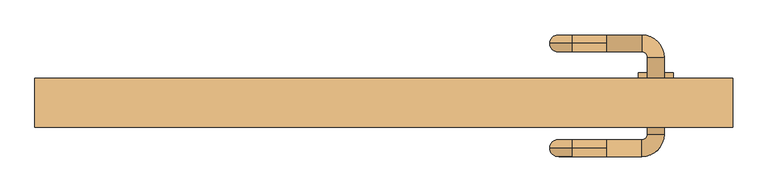
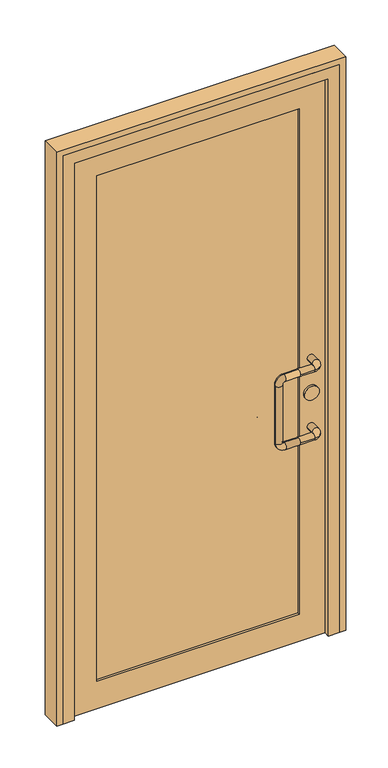
"""IFC4 building model written with IfcOpenShell, lengths in millimetres: door geometry."""

from ifc_helpers import new_model, si_unit, point, frame, frame_2d, origin, place, context, project, spatial, polyline, circle_curve, ellipse_curve, trimmed, segment, composite_curve, outline, extrude, faceted_brep, source, transform, mapped, element, save
from ifc_brep_helpers import cylinder_surface, revolved_surface, advanced_brep


def door_9363d48d(model_context):
    return source(origin(), model_context, "Body", "SolidModel", [
        advanced_brep(
        [(320.0, 112.0, 1025.0), (320.0, 100.0, 1037.0), (320.0, 88.0, 1025.0), (370.0, 88.0, 1025.0), (370.0, 112.0, 1025.0), (320.0, 100.0, 1013.0), (378.0, 80.0, 1025.0), (402.0, 80.0, 1025.0), (378.0, -30.0, 1025.0), (402.0, -30.0, 1025.0), (370.0, -38.0, 1025.0), (370.0, -62.0, 1025.0), (320.0, -38.0, 1025.0), (320.0, -50.0, 1037.0), (320.0, -62.0, 1025.0), (320.0, -50.0, 1013.0), (270.0, 100.0, 1037.0), (270.0, 100.0, 1013.0), (238.0, 100.0, 1005.0), (262.0, 100.0, 1005.0), (238.0, 100.0, 795.0), (262.0, 100.0, 795.0), (270.0, 100.0, 763.0), (270.0, 100.0, 787.0), (320.0, 100.0, 763.0), (320.0, 88.0, 775.0), (320.0, 100.0, 787.0), (320.0, 112.0, 775.0), (370.0, 88.0, 775.0), (370.0, 112.0, 775.0), (378.0, 80.0, 775.0), (402.0, 80.0, 775.0), (378.0, -30.0, 775.0), (402.0, -30.0, 775.0), (370.0, -38.0, 775.0), (370.0, -62.0, 775.0), (320.0, -38.0, 775.0), (320.0, -50.0, 787.0), (320.0, -62.0, 775.0), (320.0, -50.0, 763.0), (270.0, -50.0, 1037.0), (270.0, -50.0, 1013.0), (238.0, -50.0, 1005.0), (262.0, -50.0, 1005.0), (238.0, -50.0, 795.0), (262.0, -50.0, 795.0), (270.0, -50.0, 763.0), (270.0, -50.0, 787.0)],
        [
            (0, 1, circle_curve(frame((320.0, 100.0, 1025.0), z_axis=(1.0, 0.0, 0.0), x_axis=(0.0, -1.0, 0.0)), 12.0)),
            (1, 2, circle_curve(frame((320.0, 100.0, 1025.0), z_axis=(1.0, 0.0, 0.0), x_axis=(0.0, -1.0, 0.0)), 12.0)),
            (2, 3),
            (3, 4, circle_curve(frame((370.0, 100.0, 1025.0), z_axis=(-1.0, 0.0, 0.0), x_axis=(0.0, -1.0, 0.0)), 12.0)),
            (4, 0),
            (4, 3, circle_curve(frame((370.0, 100.0, 1025.0), z_axis=(-1.0, 0.0, 0.0), x_axis=(0.0, -1.0, 0.0)), 12.0)),
            (2, 5, circle_curve(frame((320.0, 100.0, 1025.0), z_axis=(1.0, 0.0, 0.0), x_axis=(0.0, -1.0, 0.0)), 12.0)),
            (5, 0, circle_curve(frame((320.0, 100.0, 1025.0), z_axis=(1.0, 0.0, 0.0), x_axis=(0.0, -1.0, 0.0)), 12.0)),
            (3, 6, circle_curve(frame((370.0, 80.0, 1025.0), z_axis=(0.0, 0.0, -1.0), x_axis=(0.0, 1.0, 0.0)), 8.0)),
            (6, 7, circle_curve(frame((390.0, 80.0, 1025.0), z_axis=(0.0, 1.0, 0.0), x_axis=(-1.0, 0.0, 0.0)), 12.0)),
            (7, 4, circle_curve(frame((370.0, 80.0, 1025.0), z_axis=(0.0, 0.0, 1.0), x_axis=(0.0, 1.0, 0.0)), 32.0)),
            (7, 6, circle_curve(frame((390.0, 80.0, 1025.0), z_axis=(0.0, 1.0, 0.0), x_axis=(-1.0, 0.0, 0.0)), 12.0)),
            (6, 8),
            (8, 9, circle_curve(frame((390.0, -30.0, 1025.0), z_axis=(0.0, 1.0, 0.0), x_axis=(-1.0, 0.0, 0.0)), 12.0)),
            (9, 7),
            (9, 8, circle_curve(frame((390.0, -30.0, 1025.0), z_axis=(0.0, 1.0, 0.0), x_axis=(-1.0, 0.0, 0.0)), 12.0)),
            (8, 10, circle_curve(frame((370.0, -30.0, 1025.0), z_axis=(0.0, 0.0, -1.0), x_axis=(1.0, 0.0, 0.0)), 8.0)),
            (10, 11, circle_curve(frame((370.0, -50.0, 1025.0), z_axis=(1.0, 0.0, 0.0), x_axis=(0.0, 1.0, 0.0)), 12.0)),
            (11, 9, circle_curve(frame((370.0, -30.0, 1025.0), z_axis=(0.0, 0.0, 1.0), x_axis=(1.0, 0.0, 0.0)), 32.0)),
            (11, 10, circle_curve(frame((370.0, -50.0, 1025.0), z_axis=(1.0, 0.0, 0.0), x_axis=(0.0, 1.0, 0.0)), 12.0)),
            (10, 12),
            (12, 13, circle_curve(frame((320.0, -50.0, 1025.0), z_axis=(1.0, 0.0, 0.0), x_axis=(0.0, 1.0, 0.0)), 12.0)),
            (13, 14, circle_curve(frame((320.0, -50.0, 1025.0), z_axis=(1.0, 0.0, 0.0), x_axis=(0.0, 1.0, 0.0)), 12.0)),
            (14, 11),
            (14, 15, circle_curve(frame((320.0, -50.0, 1025.0), z_axis=(1.0, 0.0, 0.0), x_axis=(0.0, 1.0, 0.0)), 12.0)),
            (15, 12, circle_curve(frame((320.0, -50.0, 1025.0), z_axis=(1.0, 0.0, 0.0), x_axis=(0.0, 1.0, 0.0)), 12.0)),
            (1, 16),
            (16, 17, circle_curve(frame((270.0, 100.0, 1025.0), z_axis=(1.0, 0.0, 0.0), x_axis=(0.0, 0.0, 1.0)), 12.0)),
            (17, 5),
            (17, 16, circle_curve(frame((270.0, 100.0, 1025.0), z_axis=(1.0, 0.0, 0.0), x_axis=(0.0, 0.0, 1.0)), 12.0)),
            (16, 18, circle_curve(frame((270.0, 100.0, 1005.0), z_axis=(0.0, -1.0, 0.0), x_axis=(0.0, 0.0, 1.0)), 32.0)),
            (18, 19, circle_curve(frame((250.0, 100.0, 1005.0), z_axis=(0.0, 0.0, 1.0), x_axis=(-1.0, 0.0, 0.0)), 12.0)),
            (19, 17, circle_curve(frame((270.0, 100.0, 1005.0), z_axis=(0.0, 1.0, 0.0), x_axis=(0.0, 0.0, 1.0)), 8.0)),
            (19, 18, circle_curve(frame((250.0, 100.0, 1005.0), z_axis=(0.0, 0.0, 1.0), x_axis=(-1.0, 0.0, 0.0)), 12.0)),
            (18, 20),
            (20, 21, circle_curve(frame((250.0, 100.0, 795.0), z_axis=(0.0, 0.0, 1.0), x_axis=(-1.0, 0.0, 0.0)), 12.0)),
            (21, 19),
            (21, 20, circle_curve(frame((250.0, 100.0, 795.0), z_axis=(0.0, 0.0, 1.0), x_axis=(-1.0, 0.0, 0.0)), 12.0)),
            (20, 22, circle_curve(frame((270.0, 100.0, 795.0), z_axis=(0.0, -1.0, 0.0), x_axis=(-1.0, 0.0, 0.0)), 32.0)),
            (22, 23, circle_curve(frame((270.0, 100.0, 775.0), z_axis=(-1.0, 0.0, 0.0), x_axis=(0.0, 0.0, -1.0)), 12.0)),
            (23, 21, circle_curve(frame((270.0, 100.0, 795.0), z_axis=(0.0, 1.0, 0.0), x_axis=(-1.0, 0.0, 0.0)), 8.0)),
            (23, 22, circle_curve(frame((270.0, 100.0, 775.0), z_axis=(-1.0, 0.0, 0.0), x_axis=(0.0, 0.0, -1.0)), 12.0)),
            (22, 24),
            (24, 25, circle_curve(frame((320.0, 100.0, 775.0), z_axis=(-1.0, 0.0, 0.0), x_axis=(0.0, 0.0, -1.0)), 12.0)),
            (25, 26, circle_curve(frame((320.0, 100.0, 775.0), z_axis=(-1.0, 0.0, 0.0), x_axis=(0.0, 0.0, -1.0)), 12.0)),
            (26, 23),
            (26, 27, circle_curve(frame((320.0, 100.0, 775.0), z_axis=(-1.0, 0.0, 0.0), x_axis=(0.0, 0.0, -1.0)), 12.0)),
            (27, 24, circle_curve(frame((320.0, 100.0, 775.0), z_axis=(-1.0, 0.0, 0.0), x_axis=(0.0, 0.0, -1.0)), 12.0)),
            (25, 28),
            (28, 29, circle_curve(frame((370.0, 100.0, 775.0), z_axis=(-1.0, 0.0, 0.0), x_axis=(0.0, -1.0, 0.0)), 12.0)),
            (29, 27),
            (29, 28, circle_curve(frame((370.0, 100.0, 775.0), z_axis=(-1.0, 0.0, 0.0), x_axis=(0.0, -1.0, 0.0)), 12.0)),
            (28, 30, circle_curve(frame((370.0, 80.0, 775.0), z_axis=(0.0, 0.0, -1.0), x_axis=(0.0, 1.0, 0.0)), 8.0)),
            (30, 31, circle_curve(frame((390.0, 80.0, 775.0), z_axis=(0.0, 1.0, 0.0), x_axis=(-1.0, 0.0, 0.0)), 12.0)),
            (31, 29, circle_curve(frame((370.0, 80.0, 775.0), z_axis=(0.0, 0.0, 1.0), x_axis=(0.0, 1.0, 0.0)), 32.0)),
            (31, 30, circle_curve(frame((390.0, 80.0, 775.0), z_axis=(0.0, 1.0, 0.0), x_axis=(-1.0, 0.0, 0.0)), 12.0)),
            (30, 32),
            (32, 33, circle_curve(frame((390.0, -30.0, 775.0), z_axis=(0.0, 1.0, 0.0), x_axis=(-1.0, 0.0, 0.0)), 12.0)),
            (33, 31),
            (33, 32, circle_curve(frame((390.0, -30.0, 775.0), z_axis=(0.0, 1.0, 0.0), x_axis=(-1.0, 0.0, 0.0)), 12.0)),
            (32, 34, circle_curve(frame((370.0, -30.0, 775.0), z_axis=(0.0, 0.0, -1.0), x_axis=(1.0, 0.0, 0.0)), 8.0)),
            (34, 35, circle_curve(frame((370.0, -50.0, 775.0), z_axis=(1.0, 0.0, 0.0), x_axis=(0.0, 1.0, 0.0)), 12.0)),
            (35, 33, circle_curve(frame((370.0, -30.0, 775.0), z_axis=(0.0, 0.0, 1.0), x_axis=(1.0, 0.0, 0.0)), 32.0)),
            (35, 34, circle_curve(frame((370.0, -50.0, 775.0), z_axis=(1.0, 0.0, 0.0), x_axis=(0.0, 1.0, 0.0)), 12.0)),
            (34, 36),
            (36, 37, circle_curve(frame((320.0, -50.0, 775.0), z_axis=(1.0, 0.0, 0.0), x_axis=(0.0, 1.0, 0.0)), 12.0)),
            (37, 38, circle_curve(frame((320.0, -50.0, 775.0), z_axis=(1.0, 0.0, 0.0), x_axis=(0.0, 1.0, 0.0)), 12.0)),
            (38, 35),
            (38, 39, circle_curve(frame((320.0, -50.0, 775.0), z_axis=(1.0, 0.0, 0.0), x_axis=(0.0, 1.0, 0.0)), 12.0)),
            (39, 36, circle_curve(frame((320.0, -50.0, 775.0), z_axis=(1.0, 0.0, 0.0), x_axis=(0.0, 1.0, 0.0)), 12.0)),
            (13, 40),
            (40, 41, circle_curve(frame((270.0, -50.0, 1025.0), z_axis=(1.0, 0.0, 0.0), x_axis=(0.0, 0.0, 1.0)), 12.0)),
            (41, 15),
            (41, 40, circle_curve(frame((270.0, -50.0, 1025.0), z_axis=(1.0, 0.0, 0.0), x_axis=(0.0, 0.0, 1.0)), 12.0)),
            (40, 42, circle_curve(frame((270.0, -50.0, 1005.0), z_axis=(0.0, -1.0, 0.0), x_axis=(0.0, 0.0, 1.0)), 32.0)),
            (42, 43, circle_curve(frame((250.0, -50.0, 1005.0), z_axis=(0.0, 0.0, 1.0), x_axis=(-1.0, 0.0, 0.0)), 12.0)),
            (43, 41, circle_curve(frame((270.0, -50.0, 1005.0), z_axis=(0.0, 1.0, 0.0), x_axis=(0.0, 0.0, 1.0)), 8.0)),
            (43, 42, circle_curve(frame((250.0, -50.0, 1005.0), z_axis=(0.0, 0.0, 1.0), x_axis=(-1.0, 0.0, 0.0)), 12.0)),
            (42, 44),
            (44, 45, circle_curve(frame((250.0, -50.0, 795.0), z_axis=(0.0, 0.0, 1.0), x_axis=(-1.0, 0.0, 0.0)), 12.0)),
            (45, 43),
            (45, 44, circle_curve(frame((250.0, -50.0, 795.0), z_axis=(0.0, 0.0, 1.0), x_axis=(-1.0, 0.0, 0.0)), 12.0)),
            (44, 46, circle_curve(frame((270.0, -50.0, 795.0), z_axis=(0.0, -1.0, 0.0), x_axis=(-1.0, 0.0, 0.0)), 32.0)),
            (46, 47, circle_curve(frame((270.0, -50.0, 775.0), z_axis=(-1.0, 0.0, 0.0), x_axis=(0.0, 0.0, -1.0)), 12.0)),
            (47, 45, circle_curve(frame((270.0, -50.0, 795.0), z_axis=(0.0, 1.0, 0.0), x_axis=(-1.0, 0.0, 0.0)), 8.0)),
            (47, 46, circle_curve(frame((270.0, -50.0, 775.0), z_axis=(-1.0, 0.0, 0.0), x_axis=(0.0, 0.0, -1.0)), 12.0)),
            (46, 39),
            (37, 47),
        ],
        [
            cylinder_surface(frame((320.0, 100.0, 1025.0), z_axis=(-1.0, 0.0, 0.0), x_axis=(0.0, -1.0, 0.0)), 12.0),
            revolved_surface(trimmed(ellipse_curve(frame((370.0, 100.0, 1025.0), z_axis=(1.0, 0.0, 0.0), x_axis=(0.0, -1.0, 0.0)), 12.0, 12.0), [point((370.0, 112.0, 1025.0))], [point((370.0, 88.0, 1025.0))], True, "CARTESIAN"), (370.0, 80.0, 1025.0), (0.0, 0.0, 1.0)),
            revolved_surface(trimmed(ellipse_curve(frame((370.0, 100.0, 1025.0), z_axis=(1.0, 0.0, 0.0), x_axis=(0.0, -1.0, 0.0)), 12.0, 12.0), [point((370.0, 88.0, 1025.0))], [point((370.0, 112.0, 1025.0))], True, "CARTESIAN"), (370.0, 80.0, 1025.0), (0.0, 0.0, 1.0)),
            cylinder_surface(frame((390.0, 80.0, 1025.0), z_axis=(0.0, 1.0, 0.0), x_axis=(-1.0, 0.0, 0.0)), 12.0),
            revolved_surface(trimmed(ellipse_curve(frame((390.0, -30.0, 1025.0), z_axis=(0.0, -1.0, 0.0), x_axis=(-1.0, 0.0, 0.0)), 12.0, 12.0), [point((402.0, -30.0, 1025.0))], [point((378.0, -30.0, 1025.0))], True, "CARTESIAN"), (370.0, -30.0, 1025.0), (0.0, 0.0, 1.0)),
            revolved_surface(trimmed(ellipse_curve(frame((390.0, -30.0, 1025.0), z_axis=(0.0, -1.0, 0.0), x_axis=(-1.0, 0.0, 0.0)), 12.0, 12.0), [point((378.0, -30.0, 1025.0))], [point((402.0, -30.0, 1025.0))], True, "CARTESIAN"), (370.0, -30.0, 1025.0), (0.0, 0.0, 1.0)),
            cylinder_surface(frame((370.0, -50.0, 1025.0), z_axis=(1.0, 0.0, 0.0), x_axis=(0.0, 1.0, 0.0)), 12.0),
            cylinder_surface(frame((320.0, 100.0, 1025.0), z_axis=(1.0, 0.0, 0.0), x_axis=(0.0, 0.0, 1.0)), 12.0),
            revolved_surface(trimmed(ellipse_curve(frame((270.0, 100.0, 1025.0), z_axis=(-1.0, 0.0, 0.0), x_axis=(0.0, 0.0, 1.0)), 12.0, 12.0), [point((270.0, 100.0, 1013.0))], [point((270.0, 100.0, 1037.0))], True, "CARTESIAN"), (270.0, 100.0, 1005.0), (0.0, 1.0, 0.0)),
            revolved_surface(trimmed(ellipse_curve(frame((270.0, 100.0, 1025.0), z_axis=(-1.0, 0.0, 0.0), x_axis=(0.0, 0.0, 1.0)), 12.0, 12.0), [point((270.0, 100.0, 1037.0))], [point((270.0, 100.0, 1013.0))], True, "CARTESIAN"), (270.0, 100.0, 1005.0), (0.0, 1.0, 0.0)),
            cylinder_surface(frame((250.0, 100.0, 1005.0), z_axis=(0.0, 0.0, 1.0), x_axis=(-1.0, 0.0, 0.0)), 12.0),
            revolved_surface(trimmed(ellipse_curve(frame((250.0, 100.0, 795.0), z_axis=(0.0, 0.0, -1.0), x_axis=(-1.0, 0.0, 0.0)), 12.0, 12.0), [point((262.0, 100.0, 795.0))], [point((238.0, 100.0, 795.0))], True, "CARTESIAN"), (270.0, 100.0, 795.0), (0.0, 1.0, 0.0)),
            revolved_surface(trimmed(ellipse_curve(frame((250.0, 100.0, 795.0), z_axis=(0.0, 0.0, -1.0), x_axis=(-1.0, 0.0, 0.0)), 12.0, 12.0), [point((238.0, 100.0, 795.0))], [point((262.0, 100.0, 795.0))], True, "CARTESIAN"), (270.0, 100.0, 795.0), (0.0, 1.0, 0.0)),
            cylinder_surface(frame((270.0, 100.0, 775.0), z_axis=(-1.0, 0.0, 0.0), x_axis=(0.0, 0.0, -1.0)), 12.0),
            cylinder_surface(frame((320.0, 100.0, 775.0), z_axis=(-1.0, 0.0, 0.0), x_axis=(0.0, -1.0, 0.0)), 12.0),
            revolved_surface(trimmed(ellipse_curve(frame((370.0, 100.0, 775.0), z_axis=(1.0, 0.0, 0.0), x_axis=(0.0, -1.0, 0.0)), 12.0, 12.0), [point((370.0, 112.0, 775.0))], [point((370.0, 88.0, 775.0))], True, "CARTESIAN"), (370.0, 80.0, 775.0), (0.0, 0.0, 1.0)),
            revolved_surface(trimmed(ellipse_curve(frame((370.0, 100.0, 775.0), z_axis=(1.0, 0.0, 0.0), x_axis=(0.0, -1.0, 0.0)), 12.0, 12.0), [point((370.0, 88.0, 775.0))], [point((370.0, 112.0, 775.0))], True, "CARTESIAN"), (370.0, 80.0, 775.0), (0.0, 0.0, 1.0)),
            cylinder_surface(frame((390.0, 80.0, 775.0), z_axis=(0.0, 1.0, 0.0), x_axis=(-1.0, 0.0, 0.0)), 12.0),
            revolved_surface(trimmed(ellipse_curve(frame((390.0, -30.0, 775.0), z_axis=(0.0, -1.0, 0.0), x_axis=(-1.0, 0.0, 0.0)), 12.0, 12.0), [point((402.0, -30.0, 775.0))], [point((378.0, -30.0, 775.0))], True, "CARTESIAN"), (370.0, -30.0, 775.0), (0.0, 0.0, 1.0)),
            revolved_surface(trimmed(ellipse_curve(frame((390.0, -30.0, 775.0), z_axis=(0.0, -1.0, 0.0), x_axis=(-1.0, 0.0, 0.0)), 12.0, 12.0), [point((378.0, -30.0, 775.0))], [point((402.0, -30.0, 775.0))], True, "CARTESIAN"), (370.0, -30.0, 775.0), (0.0, 0.0, 1.0)),
            cylinder_surface(frame((370.0, -50.0, 775.0), z_axis=(1.0, 0.0, 0.0), x_axis=(0.0, 1.0, 0.0)), 12.0),
            cylinder_surface(frame((320.0, -50.0, 1025.0), z_axis=(1.0, 0.0, 0.0), x_axis=(0.0, 0.0, 1.0)), 12.0),
            revolved_surface(trimmed(ellipse_curve(frame((270.0, -50.0, 1025.0), z_axis=(-1.0, 0.0, 0.0), x_axis=(0.0, 0.0, 1.0)), 12.0, 12.0), [point((270.0, -50.0, 1013.0))], [point((270.0, -50.0, 1037.0))], True, "CARTESIAN"), (270.0, -50.0, 1005.0), (0.0, 1.0, 0.0)),
            revolved_surface(trimmed(ellipse_curve(frame((270.0, -50.0, 1025.0), z_axis=(-1.0, 0.0, 0.0), x_axis=(0.0, 0.0, 1.0)), 12.0, 12.0), [point((270.0, -50.0, 1037.0))], [point((270.0, -50.0, 1013.0))], True, "CARTESIAN"), (270.0, -50.0, 1005.0), (0.0, 1.0, 0.0)),
            cylinder_surface(frame((250.0, -50.0, 1005.0), z_axis=(0.0, 0.0, 1.0), x_axis=(-1.0, 0.0, 0.0)), 12.0),
            revolved_surface(trimmed(ellipse_curve(frame((250.0, -50.0, 795.0), z_axis=(0.0, 0.0, -1.0), x_axis=(-1.0, 0.0, 0.0)), 12.0, 12.0), [point((262.0, -50.0, 795.0))], [point((238.0, -50.0, 795.0))], True, "CARTESIAN"), (270.0, -50.0, 795.0), (0.0, 1.0, 0.0)),
            revolved_surface(trimmed(ellipse_curve(frame((250.0, -50.0, 795.0), z_axis=(0.0, 0.0, -1.0), x_axis=(-1.0, 0.0, 0.0)), 12.0, 12.0), [point((238.0, -50.0, 795.0))], [point((262.0, -50.0, 795.0))], True, "CARTESIAN"), (270.0, -50.0, 795.0), (0.0, 1.0, 0.0)),
            cylinder_surface(frame((270.0, -50.0, 775.0), z_axis=(-1.0, 0.0, 0.0), x_axis=(0.0, 0.0, -1.0)), 12.0),
        ],
        [
            (0, [[1, 2, 3, 4, 5]]),
            (0, [[6, -3, 7, 8, -5]]),
            (1, [[9, 10, 11, -4]]),
            (2, [[-11, 12, -9, -6]]),
            (3, [[13, 14, 15, -10]]),
            (3, [[-15, 16, -13, -12]]),
            (4, [[17, 18, 19, -14]]),
            (5, [[-19, 20, -17, -16]]),
            (6, [[21, 22, 23, 24, -18]]),
            (6, [[-24, 25, 26, -21, -20]]),
            (7, [[-7, -2, 27, 28, 29]]),
            (7, [[30, -27, -1, -8, -29]]),
            (8, [[31, 32, 33, -28]]),
            (9, [[-33, 34, -31, -30]]),
            (10, [[35, 36, 37, -32]]),
            (10, [[-37, 38, -35, -34]]),
            (11, [[39, 40, 41, -36]]),
            (12, [[-41, 42, -39, -38]]),
            (13, [[43, 44, 45, 46, -40]]),
            (13, [[-46, 47, 48, -43, -42]]),
            (14, [[-47, -45, 49, 50, 51]]),
            (14, [[52, -49, -44, -48, -51]]),
            (15, [[53, 54, 55, -50]]),
            (16, [[-55, 56, -53, -52]]),
            (17, [[57, 58, 59, -54]]),
            (17, [[-59, 60, -57, -56]]),
            (18, [[61, 62, 63, -58]]),
            (19, [[-63, 64, -61, -60]]),
            (20, [[65, 66, 67, 68, -62]]),
            (20, [[-68, 69, 70, -65, -64]]),
            (21, [[-25, -23, 71, 72, 73]]),
            (21, [[74, -71, -22, -26, -73]]),
            (22, [[75, 76, 77, -72]]),
            (23, [[-77, 78, -75, -74]]),
            (24, [[79, 80, 81, -76]]),
            (24, [[-81, 82, -79, -78]]),
            (25, [[83, 84, 85, -80]]),
            (26, [[-85, 86, -83, -82]]),
            (27, [[87, -69, -67, 88, -84]]),
            (27, [[-88, -66, -70, -87, -86]]),
        ],
    ),
        extrude(outline(composite_curve([segment(trimmed(circle_curve(frame_2d((900.0, 390.0)), 25.0), [point((900.0, 415.0))], [point((900.0, 365.0))], False, "CARTESIAN"), True, "CONTINUOUS"), segment(trimmed(circle_curve(frame_2d((900.0, 390.0)), 25.0), [point((900.0, 365.0))], [point((900.0, 415.0))], False, "CARTESIAN"), True, "CONTINUOUS")], self_intersect=False)), frame((0.0, -8.0, 0.0), z_axis=(0.0, 1.0, 0.0), x_axis=(0.0, 0.0, 1.0)), (0.0, 0.0, 1.0), 66.0),
        extrude(outline(polyline([(-350.0, 42.0), (350.0, 42.0), (350.0, 8.0), (-350.0, 8.0), (-350.0, 42.0)])), frame((0.0, 0.0, 100.0), z_axis=(0.0, 0.0, 1.0), x_axis=(1.0, 0.0, 0.0)), (0.0, 0.0, 1.0), 1850.0),
        extrude(outline(polyline([(0.0, -450.0), (0.0, 450.0), (2050.0, 450.0), (2050.0, -450.0), (0.0, -450.0)]), holes=[polyline([(100.0, 350.0), (100.0, -350.0), (1950.0, -350.0), (1950.0, 350.0), (100.0, 350.0)])]), frame((0.0, 0.0, 0.0), z_axis=(0.0, 1.0, 0.0), x_axis=(0.0, 0.0, 1.0)), (0.0, 0.0, 1.0), 50.0),
        extrude(outline(polyline([(0.0, 500.0), (2100.0, 500.0), (2100.0, -500.0), (0.0, -500.0), (0.0, -480.0), (2080.0, -480.0), (2080.0, 480.0), (0.0, 480.0), (0.0, 500.0)])), frame((0.0, -20.0, 0.0), z_axis=(0.0, 1.0, 0.0), x_axis=(0.0, 0.0, 1.0)), (0.0, 0.0, 1.0), 70.0),
        faceted_brep([(-480.0, -20.0, 0.0), (-480.0, 50.0, 0.0), (-450.0, 50.0, 0.0), (-450.0, 0.0, 0.0), (-440.0, 0.0, 0.0), (-440.0, -20.0, 0.0), (-480.0, -20.0, 2080.0), (-480.0, 50.0, 2080.0), (480.0, 50.0, 2080.0), (480.0, 50.0, 0.0), (450.0, 50.0, 0.0), (450.0, 50.0, 2050.0), (-450.0, 50.0, 2050.0), (-450.0, 0.0, 2050.0), (450.0, 0.0, 2050.0), (450.0, 0.0, 0.0), (440.0, 0.0, 0.0), (440.0, 0.0, 2040.0), (-440.0, 0.0, 2040.0), (-440.0, -20.0, 2040.0), (440.0, -20.0, 2040.0), (440.0, -20.0, 0.0), (480.0, -20.0, 0.0), (480.0, -20.0, 2080.0)], [[[0, 1, 2, 3, 4, 5]], [[1, 0, 6, 7]], [[2, 1, 7, 8, 9, 10, 11, 12]], [[3, 2, 12, 13]], [[4, 3, 13, 14, 15, 16, 17, 18]], [[5, 4, 18, 19]], [[0, 5, 19, 20, 21, 22, 23, 6]], [[7, 6, 23, 8]], [[13, 12, 11, 14]], [[19, 18, 17, 20]], [[22, 21, 16, 15, 10, 9]], [[8, 23, 22, 9]], [[14, 11, 10, 15]], [[20, 17, 16, 21]]]),
    ])


if __name__ == "__main__":
    model = new_model("IFC4")
    model_context = context("Model", 3, world=origin())
    ifc_project = project(units=[si_unit("LENGTHUNIT", "METRE", prefix="MILLI")], contexts=[model_context])
    site = spatial("IfcSite", under=ifc_project)
    building = spatial("IfcBuilding", under=site)
    placement = place(None, origin())
    door_shape = door_9363d48d(model_context)
    element("IfcDoor", 1, at=placement, inside=building, context=model_context, shape_type="MappedRepresentation", body=[
        mapped(door_shape, transform((0.0, 0.0, 0.0), x_axis=(1.0, 0.0, 0.0), y_axis=(0.0, 1.0, 0.0), z_axis=(0.0, 0.0, 1.0))),
    ])
    save(model, "model.ifc")
